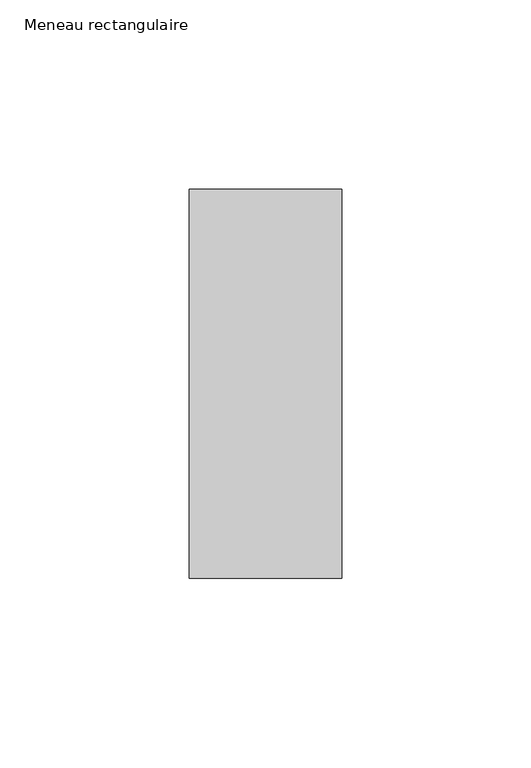
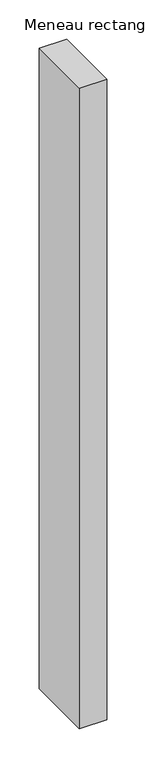
"""IFC4 building model written with IfcOpenShell, lengths in millimetres: member geometry, Meneau rectangulaire."""

from ifc_helpers import new_model, si_unit, frame, origin, place, context, project, spatial, polyline, outline, extrude, source, transform, mapped, element, save


def meneau_rectangulaire_5adf93cc(model_context):
    return source(origin(), model_context, "Body", "SweptSolid", [
        extrude(outline(polyline([(0.0, 51.4988742), (0.0, -51.4925062), (-40.4444905, -51.4925062), (-40.4444905, 51.4988742), (0.0, 51.4988742)])), frame((0.0, 0.0, -1000.0), z_axis=(0.0, 0.0, 1.0), x_axis=(1.0, 0.0, 0.0)), (0.0, 0.0, 1.0), 1000.0),
    ])


if __name__ == "__main__":
    model = new_model("IFC4")
    model_context = context("Model", 3, world=origin())
    ifc_project = project(units=[si_unit("LENGTHUNIT", "METRE", prefix="MILLI")], contexts=[model_context])
    site = spatial("IfcSite", under=ifc_project)
    building = spatial("IfcBuilding", under=site)
    placement = place(None, origin())
    meneau_rectangulaire_shape = meneau_rectangulaire_5adf93cc(model_context)
    element("IfcMember", 1, ObjectType="Meneau rectangulaire", at=placement, inside=building, context=model_context, shape_type="MappedRepresentation", body=[
        mapped(meneau_rectangulaire_shape, transform((0.0, 0.0, 0.0), x_axis=(1.0, 0.0, 0.0), y_axis=(0.0, 1.0, 0.0), z_axis=(0.0, 0.0, 1.0))),
    ])
    save(model, "model.ifc")
